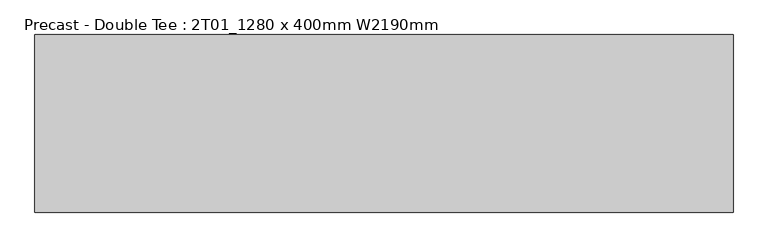
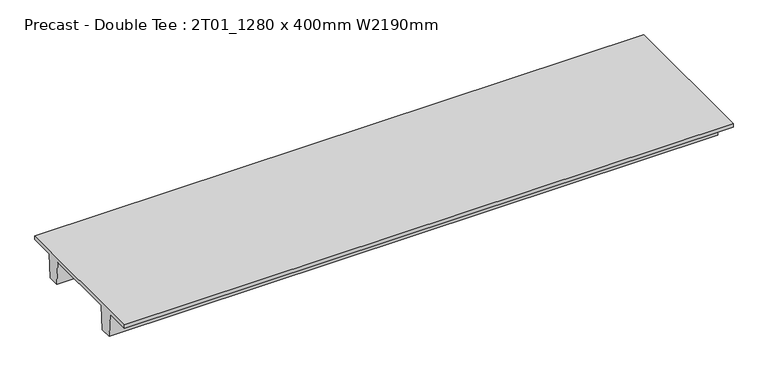
"""IFC4 building model written with IfcOpenShell, lengths in millimetres: beam geometry, Precast - Double Tee : 2T01_1280 x 400mm W2190mm."""

from ifc_helpers import new_model, si_unit, frame, origin, place, context, project, spatial, polyline, outline, extrude, source, transform, mapped, element, save


def precast_double_tee_2t01_1280_x_400mm_w2190mm_4a88ef40(model_context):
    return source(origin(), model_context, "Body", "SweptSolid", [
        extrude(outline(polyline([(1095.0, 200.0), (1095.0, 150.0), (745.4, 150.0), (720.0, -200.0), (560.0, -200.0), (534.6, 150.0), (-534.6, 150.0), (-560.0, -200.0), (-720.0, -200.0), (-745.4, 150.0), (-1095.0, 150.0), (-1095.0, 200.0), (1095.0, 200.0)])), frame((-4292.5, 0.0, 0.0), z_axis=(1.0, 0.0, 0.0), x_axis=(0.0, 1.0, 0.0)), (0.0, 0.0, 1.0), 8606.0),
    ])


if __name__ == "__main__":
    model = new_model("IFC4")
    model_context = context("Model", 3, world=origin())
    ifc_project = project(units=[si_unit("LENGTHUNIT", "METRE", prefix="MILLI")], contexts=[model_context])
    site = spatial("IfcSite", under=ifc_project)
    building = spatial("IfcBuilding", under=site)
    placement = place(None, origin())
    precast_double_tee_2t01_1280_x_400mm_w2190mm_shape = precast_double_tee_2t01_1280_x_400mm_w2190mm_4a88ef40(model_context)
    element("IfcBeam", 1, ObjectType="Precast - Double Tee : 2T01_1280 x 400mm W2190mm", at=placement, inside=building, context=model_context, shape_type="MappedRepresentation", body=[
        mapped(precast_double_tee_2t01_1280_x_400mm_w2190mm_shape, transform((0.0, 0.0, 0.0), x_axis=(1.0, 0.0, 0.0), y_axis=(0.0, 1.0, 0.0), z_axis=(0.0, 0.0, 1.0))),
    ])
    save(model, "model.ifc")
